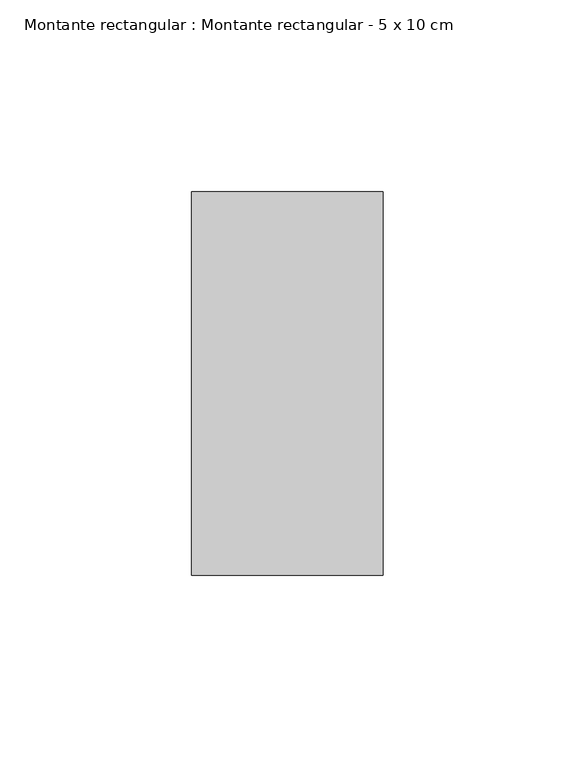
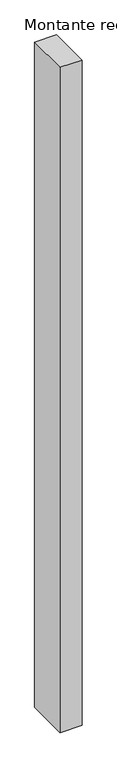
"""IFC4 building model written with IfcOpenShell, lengths in millimetres: member geometry, Montante rectangular : Montante rectangular - 5 x 10 cm."""

from ifc_helpers import new_model, si_unit, frame, origin, place, context, project, spatial, polyline, outline, extrude, source, transform, mapped, element, save


def montante_rectangular_montante_rectangular_5_x_10_cm_2d8880d0(model_context):
    return source(origin(), model_context, "Body", "SweptSolid", [
        extrude(outline(polyline([(-50.0, 50.0), (0.0, 50.0), (0.0, -50.0), (-50.0, -50.0), (-50.0, 50.0)])), frame((0.0, 0.0, -1600.0), z_axis=(0.0, 0.0, 1.0), x_axis=(1.0, 0.0, 0.0)), (0.0, 0.0, 1.0), 1600.0),
    ])


if __name__ == "__main__":
    model = new_model("IFC4")
    model_context = context("Model", 3, world=origin())
    ifc_project = project(units=[si_unit("LENGTHUNIT", "METRE", prefix="MILLI")], contexts=[model_context])
    site = spatial("IfcSite", under=ifc_project)
    building = spatial("IfcBuilding", under=site)
    placement = place(None, origin())
    montante_rectangular_montante_rectangular_5_x_10_cm_shape = montante_rectangular_montante_rectangular_5_x_10_cm_2d8880d0(model_context)
    element("IfcMember", 1, ObjectType="Montante rectangular : Montante rectangular - 5 x 10 cm", at=placement, inside=building, context=model_context, shape_type="MappedRepresentation", body=[
        mapped(montante_rectangular_montante_rectangular_5_x_10_cm_shape, transform((0.0, 0.0, 0.0), x_axis=(1.0, 0.0, 0.0), y_axis=(0.0, 1.0, 0.0), z_axis=(0.0, 0.0, 1.0))),
    ])
    save(model, "model.ifc")
